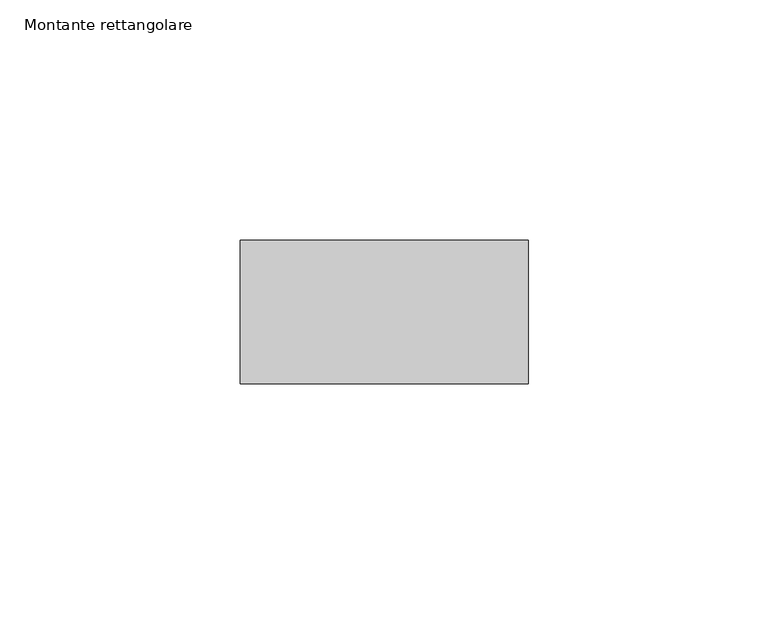
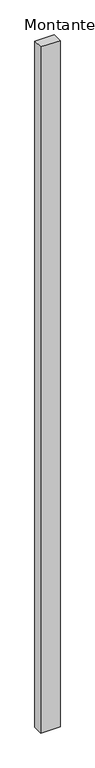
"""IFC4 building model written with IfcOpenShell, lengths in millimetres: member geometry, Montante rettangolare."""

from ifc_helpers import new_model, si_unit, frame, origin, place, context, project, spatial, polyline, outline, extrude, source, transform, mapped, element, save


def montante_rettangolare_667c32bf(model_context):
    return source(origin(), model_context, "Body", "SweptSolid", [
        extrude(outline(polyline([(0.0, 15.0), (0.0, -15.0), (-60.0, -15.0), (-60.0, 15.0), (0.0, 15.0)])), frame((0.0, 0.0, -2230.0), z_axis=(0.0, 0.0, 1.0), x_axis=(1.0, 0.0, 0.0)), (0.0, 0.0, 1.0), 2230.0),
    ])


if __name__ == "__main__":
    model = new_model("IFC4")
    model_context = context("Model", 3, world=origin())
    ifc_project = project(units=[si_unit("LENGTHUNIT", "METRE", prefix="MILLI")], contexts=[model_context])
    site = spatial("IfcSite", under=ifc_project)
    building = spatial("IfcBuilding", under=site)
    placement = place(None, origin())
    montante_rettangolare_shape = montante_rettangolare_667c32bf(model_context)
    element("IfcMember", 1, ObjectType="Montante rettangolare", at=placement, inside=building, context=model_context, shape_type="MappedRepresentation", body=[
        mapped(montante_rettangolare_shape, transform((0.0, 0.0, 0.0), x_axis=(1.0, 0.0, 0.0), y_axis=(0.0, 1.0, 0.0), z_axis=(0.0, 0.0, 1.0))),
    ])
    save(model, "model.ifc")
